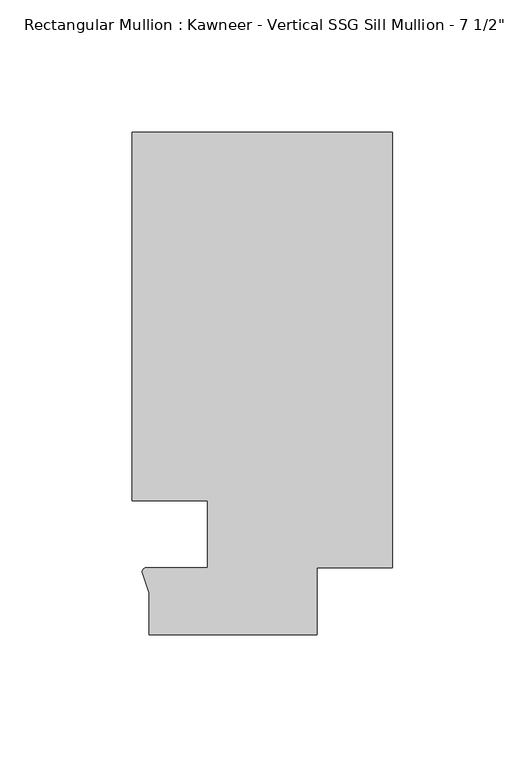
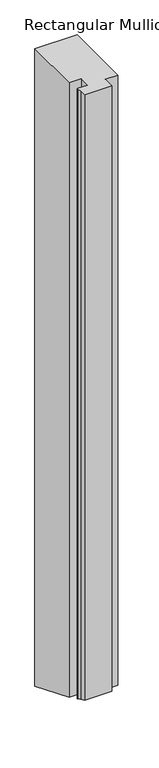
"""IFC4 building model written with IfcOpenShell, lengths in millimetres: member geometry."""

from ifc_helpers import new_model, si_unit, frame, origin, place, context, project, spatial, circle_curve, ellipse_curve, source, transform, mapped, element, save
from ifc_brep_helpers import plane_surface, cylinder_surface, advanced_brep


def member_d4fe4b2f(model_context):
    return source(origin(), model_context, "Body", "AdvancedBrep", [
        advanced_brep(
        [(-69.85, 12.7, 0.0), (-69.85, -12.700061, 0.0), (-93.1091288, -12.700061, 0.0), (-94.7258552, -14.2884292, 0.0), (-92.075, -22.2250977, 0.0), (-92.075, -38.1, 0.0), (-28.575, -38.1, 0.0), (-28.575, -12.7, 0.0), (0.0, -12.7, 0.0), (0.0, 151.892, 0.0), (-98.425, 151.892, 0.0), (-98.425, 12.7, 0.0), (-69.85, 12.7, -1518.5935359), (-69.85, -12.700061, -1508.0724861), (-93.1091288, -12.700061, -1508.0724861), (-94.7258552, -14.2884292, -1507.4145625), (-92.075, -22.2250977, -1504.1270868), (-92.075, -38.1, -1497.5514869), (-28.575, -38.1, -1497.5514869), (-28.575, -12.7, -1508.0725114), (0.0, -12.7, -1508.0725114), (0.0, 151.892, -1576.2487501), (-98.425, 151.892, -1576.2487501), (-98.425, 12.7, -1518.5935359)],
        [
            (0, 1),
            (1, 2),
            (2, 3, circle_curve(frame((-93.0262373, -14.401412, 0.0), z_axis=(0.0, 0.0, 1.0), x_axis=(-0.04866327869705179, 0.9988152408260765, 0.0)), 1.703369)),
            (3, 4),
            (4, 5),
            (5, 6),
            (6, 7),
            (7, 8),
            (8, 9),
            (9, 10),
            (10, 11),
            (11, 0),
            (0, 12),
            (12, 13),
            (13, 1),
            (13, 14),
            (14, 2),
            (14, 15, ellipse_curve(frame((-93.0262373, -14.401412, -1507.3677635), z_axis=(0.0, 0.38268343236508784, 0.9238795325112875), x_axis=(0.0, -0.9238795325112876, 0.38268343236508806)), 1.8437134, 1.703369)),
            (15, 3),
            (15, 16),
            (16, 4),
            (16, 17),
            (17, 5),
            (17, 18),
            (18, 6),
            (18, 19),
            (19, 7),
            (19, 20),
            (20, 8),
            (20, 21),
            (21, 9),
            (21, 22),
            (22, 10),
            (22, 23),
            (23, 11),
            (23, 12),
        ],
        [
            plane_surface(frame((0.0, -180.9935366, 0.0), z_axis=(0.0, 0.0, 1.0), x_axis=(-1.0, 0.0, 0.0))),
            plane_surface(frame((-69.85, 12.7, 0.0), z_axis=(-1.0, 0.0, 0.0), x_axis=(0.0, 0.0, -1.0))),
            plane_surface(frame((-69.85, -12.700061, 0.0), z_axis=(0.0, 1.0, 0.0), x_axis=(0.0, 0.0, -1.0))),
            cylinder_surface(frame((-93.0262373, -14.401412, 0.0), z_axis=(0.0, 0.0, 1.0000000000000002), x_axis=(-0.04866327869705179, 0.9988152408260765, 0.0)), 1.703369),
            plane_surface(frame((-94.7258552, -14.2884292, 0.0), z_axis=(-0.9484931443165878, -0.3167976565324192, 0.0), x_axis=(0.0, 0.0, -1.0))),
            plane_surface(frame((-92.075, -22.2250977, 0.0), z_axis=(-1.0, 0.0, 0.0), x_axis=(0.0, 0.0, -1.0))),
            plane_surface(frame((-92.075, -38.1, 0.0), z_axis=(0.0, -1.0, 0.0), x_axis=(0.0, 0.0, -1.0))),
            plane_surface(frame((-28.575, -38.1, 0.0), z_axis=(1.0, 0.0, 0.0), x_axis=(0.0, 0.0, -1.0))),
            plane_surface(frame((-28.575, -12.7, 0.0), z_axis=(0.0, -1.0, 0.0), x_axis=(0.0, 0.0, -1.0))),
            plane_surface(frame((0.0, -12.7, 0.0), z_axis=(1.0, 0.0, 0.0), x_axis=(0.0, 0.0, -1.0))),
            plane_surface(frame((0.0, 151.892, 0.0), z_axis=(0.0, 1.0, 0.0), x_axis=(0.0, 0.0, -1.0))),
            plane_surface(frame((-98.425, 151.892, 0.0), z_axis=(-1.0, 0.0, 0.0), x_axis=(0.0, 0.0, -1.0))),
            plane_surface(frame((-98.425, 12.7, 0.0), z_axis=(0.0, -1.0, 0.0), x_axis=(0.0, 0.0, -1.0))),
            plane_surface(frame((304.8, 0.0, -1513.3330237), z_axis=(0.0, -0.38268343236508784, -0.9238795325112875), x_axis=(0.0, -0.9238795325112875, 0.38268343236508784))),
        ],
        [
            (0, [[1, 2, 3, 4, 5, 6, 7, 8, 9, 10, 11, 12]]),
            (1, [[-1, 13, 14, 15]]),
            (2, [[-2, -15, 16, 17]]),
            (3, [[-3, -17, 18, 19]]),
            (4, [[-4, -19, 20, 21]]),
            (5, [[-5, -21, 22, 23]]),
            (6, [[-6, -23, 24, 25]]),
            (7, [[-7, -25, 26, 27]]),
            (8, [[-8, -27, 28, 29]]),
            (9, [[-9, -29, 30, 31]]),
            (10, [[-10, -31, 32, 33]]),
            (11, [[-11, -33, 34, 35]]),
            (12, [[-12, -35, 36, -13]]),
            (13, [[-36, -34, -32, -30, -28, -26, -24, -22, -20, -18, -16, -14]]),
        ],
    ),
    ])


if __name__ == "__main__":
    model = new_model("IFC4")
    model_context = context("Model", 3, world=origin())
    ifc_project = project(units=[si_unit("LENGTHUNIT", "METRE", prefix="MILLI")], contexts=[model_context])
    site = spatial("IfcSite", under=ifc_project)
    building = spatial("IfcBuilding", under=site)
    placement = place(None, origin())
    member_shape = member_d4fe4b2f(model_context)
    element("IfcMember", 1, ObjectType="Rectangular Mullion : Kawneer - Vertical SSG Sill Mullion - 7 1/2\"", at=placement, inside=building, context=model_context, shape_type="MappedRepresentation", body=[
        mapped(member_shape, transform((0.0, 0.0, 0.0), x_axis=(1.0, 0.0, 0.0), y_axis=(0.0, 1.0, 0.0), z_axis=(0.0, 0.0, 1.0))),
    ])
    save(model, "model.ifc")
